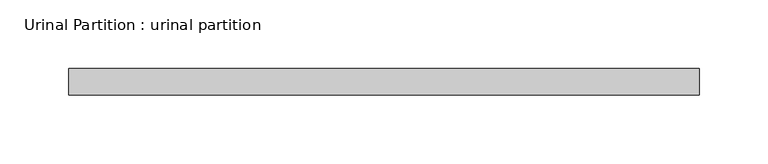
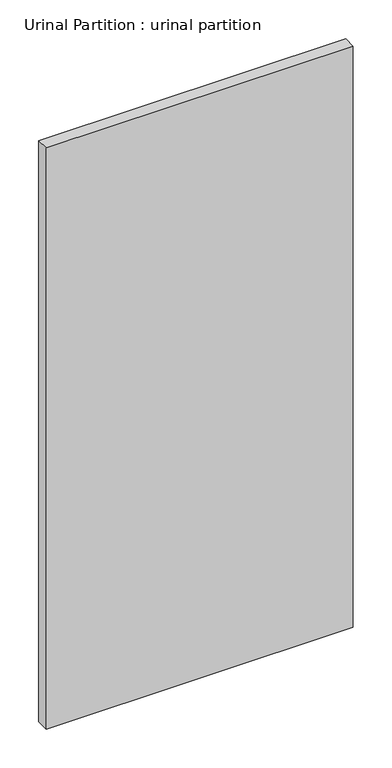
"""IFC4 building model written with IfcOpenShell, lengths in millimetres: proxy geometry, Urinal Partition : urinal partition."""

from ifc_helpers import new_model, si_unit, frame, origin, place, context, project, spatial, polyline, outline, extrude, source, transform, mapped, element, save


def urinal_partition_urinal_partition_d3369c6d(model_context):
    return source(origin(), model_context, "Body", "SweptSolid", [
        extrude(outline(polyline([(457.2, 0.0), (457.2, -19.05), (0.0, -19.05), (0.0, 0.0), (457.2, 0.0)])), frame((0.0, 0.0, 304.8), z_axis=(0.0, 0.0, 1.0), x_axis=(1.0, 0.0, 0.0)), (0.0, 0.0, 1.0), 914.4),
    ])


if __name__ == "__main__":
    model = new_model("IFC4")
    model_context = context("Model", 3, world=origin())
    ifc_project = project(units=[si_unit("LENGTHUNIT", "METRE", prefix="MILLI")], contexts=[model_context])
    site = spatial("IfcSite", under=ifc_project)
    building = spatial("IfcBuilding", under=site)
    placement = place(None, origin())
    urinal_partition_urinal_partition_shape = urinal_partition_urinal_partition_d3369c6d(model_context)
    element("IfcBuildingElementProxy", 1, Name="Urinal Partition : urinal partition", ObjectType="Urinal Partition : urinal partition", at=placement, inside=building, context=model_context, shape_type="MappedRepresentation", body=[
        mapped(urinal_partition_urinal_partition_shape, transform((0.0, 0.0, 0.0), x_axis=(1.0, 0.0, 0.0), y_axis=(0.0, 1.0, 0.0), z_axis=(0.0, 0.0, 1.0))),
    ])
    save(model, "model.ifc")
